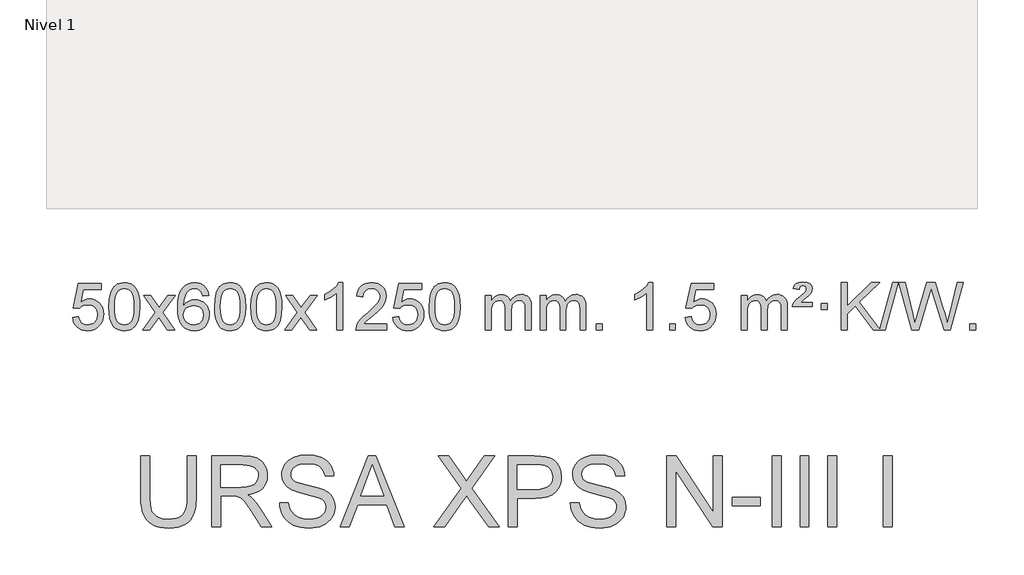
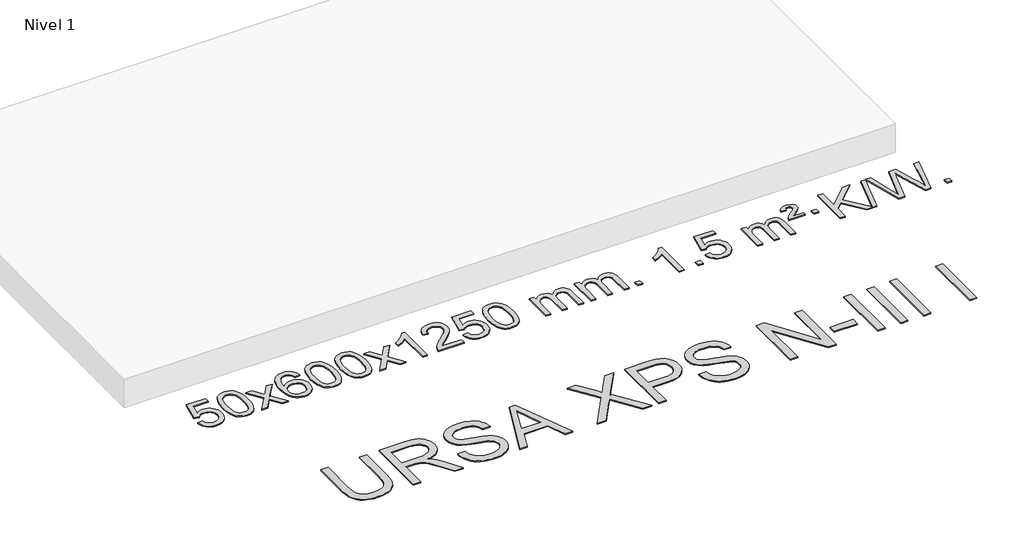
# One storey, part 2 of 3: 2 proxies.
"""IFC4 building model written with IfcOpenShell, lengths in millimetres."""

from ifc_helpers import new_model, si_unit, origin, origin_with_axes, place, context, project, spatial, polyline, outline, extrude, element, save

model = new_model("IFC4")

# Units and contexts
model_context = context("Model", 3, world=origin())
ifc_project = project(units=[si_unit("LENGTHUNIT", "METRE", prefix="MILLI")], contexts=[model_context])

# Site, building, storey
site = spatial("IfcSite", under=ifc_project)
building = spatial("IfcBuilding", under=site)
storey = spatial("IfcBuildingStorey", under=building, Name="Nivel 1", Elevation=0.0)

# Proxies
placement = place(None, origin())
element("IfcBuildingElementProxy", 1, Name="Texto de modelo 1", ObjectType="Texto de modelo 1", at=placement, inside=storey, context=model_context, shape_type="SweptSolid", body=[
    extrude(outline(polyline([(-19438.3327477, -12646.1756914), (-19388.1045926, -12639.897172), (-19378.8830173, -12670.0512329), (-19362.7943114, -12691.645906), (-19339.9120513, -12704.6321405), (-19310.3098134, -12708.9608853), (-19291.1799496, -12707.4556348), (-19274.3064288, -12702.9398833), (-19259.6892508, -12695.4136308), (-19247.3284158, -12684.8768773), (-19237.4998352, -12671.850789), (-19230.4794204, -12656.856532), (-19224.8630886, -12620.963512), (-19230.1238012, -12587.1674194), (-19236.6996918, -12573.2492173), (-19245.9059387, -12561.3175779), (-19257.7731988, -12551.7465146), (-19272.3321287, -12544.9100409), (-19309.5249984, -12539.4408619), (-19333.8910493, -12541.6236284), (-19353.6217869, -12548.1719279), (-19369.3793991, -12558.2028437), (-19381.8260732, -12570.8334588), (-19432.0542283, -12564.5549394), (-19388.1045926, -12357.3637998), (-19193.4704917, -12357.3637998), (-19193.4704917, -12407.5919548), (-19347.4904204, -12407.5919548), (-19368.9747289, -12518.250859), (-19351.2489481, -12505.5466674), (-19333.0939716, -12496.4722449), (-19314.5097995, -12491.0275913), (-19295.4964317, -12489.2127068), (-19271.0353447, -12491.4629184), (-19248.5669518, -12498.213553), (-19228.0912531, -12509.4646107), (-19209.6082486, -12525.2160914), (-19194.3074232, -12544.5053707), (-19183.3782623, -12566.3698239), (-19176.8207657, -12590.8094512), (-19174.6349336, -12617.8242523), (-19176.6031022, -12643.8457721), (-19182.5076082, -12668.0524074), (-19192.3484516, -12690.4441582), (-19206.1256323, -12711.0210244), (-19226.9968042, -12732.0945314), (-19251.3505923, -12747.1470364), (-19279.1869966, -12756.1785394), (-19310.5060171, -12759.1890403), (-19336.4263693, -12757.2545942), (-19359.8389927, -12751.4512557), (-19380.743887, -12741.7790249), (-19399.1410525, -12728.2379018), (-19414.4480092, -12711.5023367), (-19426.0822773, -12692.24678), (-19434.0438568, -12670.4712315), (-19438.3327477, -12646.1756914)])), origin_with_axes(), (0.0, 0.0, 1.0), 10.0),
    extrude(outline(polyline([(-19130.6852979, -12555.2352622), (-19126.9942152, -12490.9172267), (-19115.9209671, -12439.6222139), (-19097.5759183, -12400.5654087), (-19085.7178553, -12385.3320284), (-19072.0694333, -12372.9619963), (-19056.584667, -12363.3909331), (-19039.2175711, -12356.5544594), (-18998.8363908, -12351.0852804), (-18967.8852523, -12354.3226419), (-18940.1714753, -12364.0347266), (-18916.9949096, -12379.8413897), (-18899.6554049, -12401.3624864), (-18886.5588059, -12428.4140758), (-18876.1109572, -12460.8122168), (-18869.2683521, -12501.9536866), (-18866.9874837, -12555.2352622), (-18870.6417782, -12619.1854157), (-18881.6046617, -12670.3578012), (-18899.8393459, -12709.4513946), (-18911.6698177, -12724.7307601), (-18925.3090427, -12737.1651716), (-18940.8122031, -12746.8006142), (-18958.2344813, -12753.6830732), (-18998.8363908, -12759.1890403), (-19026.5011168, -12756.7978074), (-19051.0265832, -12749.6241085), (-19072.4127898, -12737.6679436), (-19090.6597368, -12720.9293129), (-19108.1709198, -12690.6710187), (-19120.6789076, -12652.9692456), (-19128.1837003, -12607.8239934), (-19130.6852979, -12555.2352622)]), holes=[polyline([(-19080.4571428, -12555.1371604), (-19078.9856148, -12598.8016875), (-19074.5710309, -12634.1459502), (-19067.213391, -12661.1699484), (-19056.9126951, -12679.8736822), (-19044.4537582, -12692.5993335), (-19030.6213952, -12701.6890845), (-19015.415606, -12707.1429351), (-18998.8363908, -12708.9608853), (-18982.2571755, -12707.1368037), (-18967.0513864, -12701.664559), (-18953.2190234, -12692.5441512), (-18940.7600865, -12679.7755803), (-18930.4593906, -12661.0411897), (-18923.1017507, -12634.0233229), (-18918.6871668, -12598.7219797), (-18917.2156388, -12555.1371604), (-18918.6381158, -12512.6283958), (-18922.905547, -12477.9064668), (-18930.0179322, -12450.9713734), (-18939.9752716, -12431.8231156), (-18952.225742, -12418.4751305), (-18966.2175205, -12408.9408555), (-18981.9506072, -12403.2202904), (-18999.425002, -12401.3134354), (-19015.9183781, -12402.9934299), (-19030.8666498, -12408.0334132), (-19044.2698172, -12416.4333854), (-19056.1278802, -12428.1933466), (-19066.7719326, -12449.0399929), (-19074.3748271, -12477.1461774), (-19078.9365639, -12512.5118998), (-19080.4571428, -12555.1371604)])]), origin_with_axes(), (0.0, 0.0, 1.0), 10.0),
    extrude(outline(polyline([(-18841.8734062, -12752.910521), (-18734.5499655, -12604.5805005), (-18835.5948868, -12457.8201099), (-18775.1641377, -12457.8201099), (-18726.4075106, -12528.453453), (-18703.6478779, -12561.8080872), (-18683.9294029, -12534.5357686), (-18628.4037471, -12457.8201099), (-18567.972998, -12457.8201099), (-18674.1192164, -12604.5805005), (-18571.8970727, -12752.910521), (-18632.3278217, -12752.910521), (-18693.8376913, -12663.7359253), (-18705.1194058, -12647.4510157), (-18781.4426571, -12752.910521), (-18841.8734062, -12752.910521)])), origin_with_axes(), (0.0, 0.0, 1.0), 10.0),
    extrude(outline(polyline([(-18283.085181, -12457.8201099), (-18333.313336, -12464.0986293), (-18341.4067399, -12439.2052809), (-18352.3450979, -12422.2091328), (-18375.1292562, -12406.5373598), (-18402.6713549, -12401.3134354), (-18426.0195988, -12404.3545933), (-18447.9944167, -12413.4780667), (-18466.866763, -12432.6937696), (-18482.2810186, -12459.1444851), (-18492.6920791, -12496.558084), (-18496.55484, -12548.6624372), (-18476.4071694, -12525.1547778), (-18452.2618478, -12508.5878252), (-18425.4677758, -12498.765376), (-18397.3738541, -12495.4912262), (-18373.2407953, -12497.729175), (-18350.9716718, -12504.4430214), (-18330.5664838, -12515.6327654), (-18312.0252313, -12531.2984071), (-18296.617107, -12550.5079786), (-18285.611304, -12572.3295123), (-18279.0078222, -12596.7630081), (-18276.8066616, -12623.8084661), (-18280.9514654, -12659.7750625), (-18293.3858768, -12693.117434), (-18313.0798263, -12721.3952967), (-18339.0032442, -12742.1683667), (-18369.9789082, -12754.9338719), (-18404.8295959, -12759.1890403), (-18434.7721246, -12756.3686117), (-18461.814517, -12747.9073258), (-18485.9567729, -12733.8051827), (-18507.1988924, -12714.0621823), (-18524.5169374, -12687.8444588), (-18536.8869694, -12654.3181463), (-18544.3089887, -12613.4832448), (-18546.7829951, -12565.3397544), (-18544.0361429, -12511.3653343), (-18535.7955862, -12465.3003771), (-18522.061325, -12427.1448829), (-18502.8333594, -12396.8988515), (-18481.9928444, -12376.8554141), (-18457.8291287, -12362.5386731), (-18430.3422123, -12353.9486286), (-18399.5320952, -12351.0852804), (-18376.398449, -12352.8572453), (-18355.4598322, -12358.1731401), (-18336.7162445, -12367.0329649), (-18320.1676861, -12379.4367195), (-18306.2617467, -12394.967471), (-18295.446016, -12413.2082866), (-18287.7204941, -12434.1591662), (-18283.085181, -12457.8201099)]), holes=[polyline([(-18496.55484, -12623.0236512), (-18493.6485723, -12645.2805119), (-18484.929769, -12666.5318285), (-18471.3917116, -12684.8033009), (-18454.0276814, -12698.1206291), (-18433.0706704, -12706.2508212), (-18408.7536705, -12708.9608853), (-18375.6075028, -12703.3445535), (-18361.6923663, -12696.3241387), (-18349.5491948, -12686.4955581), (-18339.6991543, -12674.2573504), (-18332.6634112, -12660.0080544), (-18327.0348167, -12625.4761978), (-18332.5898348, -12592.3300301), (-18339.5336074, -12578.7091992), (-18349.2548892, -12567.056537), (-18361.4348489, -12557.7215314), (-18375.7546556, -12551.0536702), (-18410.8138097, -12545.7193813), (-18443.9109265, -12551.0536702), (-18471.5879153, -12567.056537), (-18482.5109449, -12578.555915), (-18490.3131089, -12591.7168934), (-18494.9944072, -12606.5394721), (-18496.55484, -12623.0236512)])]), origin_with_axes(), (0.0, 0.0, 1.0), 10.0),
    extrude(outline(polyline([(-18232.8570259, -12555.2352622), (-18229.1659432, -12490.9172267), (-18218.0926952, -12439.6222139), (-18199.7476463, -12400.5654087), (-18187.8895834, -12385.3320284), (-18174.2411613, -12372.9619963), (-18158.756395, -12363.3909331), (-18141.3892992, -12356.5544594), (-18101.0081188, -12351.0852804), (-18070.0569803, -12354.3226419), (-18042.3432033, -12364.0347266), (-18019.1666376, -12379.8413897), (-18001.8271329, -12401.3624864), (-17988.7305339, -12428.4140758), (-17978.2826852, -12460.8122168), (-17971.4400801, -12501.9536866), (-17969.1592118, -12555.2352622), (-17972.8135062, -12619.1854157), (-17983.7763897, -12670.3578012), (-18002.0110739, -12709.4513946), (-18013.8415458, -12724.7307601), (-18027.4807707, -12737.1651716), (-18042.9839311, -12746.8006142), (-18060.4062093, -12753.6830732), (-18101.0081188, -12759.1890403), (-18128.6728449, -12756.7978074), (-18153.1983112, -12749.6241085), (-18174.5845179, -12737.6679436), (-18192.8314648, -12720.9293129), (-18210.3426478, -12690.6710187), (-18222.8506356, -12652.9692456), (-18230.3554283, -12607.8239934), (-18232.8570259, -12555.2352622)]), holes=[polyline([(-18182.6288708, -12555.1371604), (-18181.1573428, -12598.8016875), (-18176.7427589, -12634.1459502), (-18169.385119, -12661.1699484), (-18159.0844231, -12679.8736822), (-18146.6254862, -12692.5993335), (-18132.7931232, -12701.6890845), (-18117.5873341, -12707.1429351), (-18101.0081188, -12708.9608853), (-18084.4289036, -12707.1368037), (-18069.2231144, -12701.664559), (-18055.3907514, -12692.5441512), (-18042.9318145, -12679.7755803), (-18032.6311187, -12661.0411897), (-18025.2734788, -12634.0233229), (-18020.8588948, -12598.7219797), (-18019.3873668, -12555.1371604), (-18020.8098439, -12512.6283958), (-18025.077275, -12477.9064668), (-18032.1896603, -12450.9713734), (-18042.1469996, -12431.8231156), (-18054.39747, -12418.4751305), (-18068.3892486, -12408.9408555), (-18084.1223352, -12403.2202904), (-18101.59673, -12401.3134354), (-18118.0901061, -12402.9934299), (-18133.0383779, -12408.0334132), (-18146.4415452, -12416.4333854), (-18158.2996082, -12428.1933466), (-18168.9436606, -12449.0399929), (-18176.5465552, -12477.1461774), (-18181.1082919, -12512.5118998), (-18182.6288708, -12555.1371604)])]), origin_with_axes(), (0.0, 0.0, 1.0), 10.0),
    extrude(outline(polyline([(-17925.2095761, -12555.2352622), (-17921.5184934, -12490.9172267), (-17910.4452453, -12439.6222139), (-17892.1001965, -12400.5654087), (-17880.2421335, -12385.3320284), (-17866.5937115, -12372.9619963), (-17851.1089452, -12363.3909331), (-17833.7418493, -12356.5544594), (-17793.360669, -12351.0852804), (-17762.4095305, -12354.3226419), (-17734.6957535, -12364.0347266), (-17711.5191878, -12379.8413897), (-17694.1796831, -12401.3624864), (-17681.0830841, -12428.4140758), (-17670.6352354, -12460.8122168), (-17663.7926303, -12501.9536866), (-17661.5117619, -12555.2352622), (-17665.1660564, -12619.1854157), (-17676.1289399, -12670.3578012), (-17694.3636241, -12709.4513946), (-17706.1940959, -12724.7307601), (-17719.8333209, -12737.1651716), (-17735.3364813, -12746.8006142), (-17752.7587595, -12753.6830732), (-17793.360669, -12759.1890403), (-17821.025395, -12756.7978074), (-17845.5508614, -12749.6241085), (-17866.937068, -12737.6679436), (-17885.184015, -12720.9293129), (-17902.695198, -12690.6710187), (-17915.2031858, -12652.9692456), (-17922.7079785, -12607.8239934), (-17925.2095761, -12555.2352622)]), holes=[polyline([(-17874.981421, -12555.1371604), (-17873.509893, -12598.8016875), (-17869.0953091, -12634.1459502), (-17861.7376692, -12661.1699484), (-17851.4369733, -12679.8736822), (-17838.9780364, -12692.5993335), (-17825.1456734, -12701.6890845), (-17809.9398842, -12707.1429351), (-17793.360669, -12708.9608853), (-17776.7814537, -12707.1368037), (-17761.5756646, -12701.664559), (-17747.7433016, -12692.5441512), (-17735.2843647, -12679.7755803), (-17724.9836688, -12661.0411897), (-17717.6260289, -12634.0233229), (-17713.211445, -12598.7219797), (-17711.739917, -12555.1371604), (-17713.162394, -12512.6283958), (-17717.4298252, -12477.9064668), (-17724.5422104, -12450.9713734), (-17734.4995498, -12431.8231156), (-17746.7500202, -12418.4751305), (-17760.7417988, -12408.9408555), (-17776.4748854, -12403.2202904), (-17793.9492802, -12401.3134354), (-17810.4426563, -12402.9934299), (-17825.390928, -12408.0334132), (-17838.7940954, -12416.4333854), (-17850.6521584, -12428.1933466), (-17861.2962108, -12449.0399929), (-17868.8991053, -12477.1461774), (-17873.4608421, -12512.5118998), (-17874.981421, -12555.1371604)])]), origin_with_axes(), (0.0, 0.0, 1.0), 10.0),
    extrude(outline(polyline([(-17636.3976844, -12752.910521), (-17529.0742437, -12604.5805005), (-17630.119165, -12457.8201099), (-17569.6884159, -12457.8201099), (-17520.9317888, -12528.453453), (-17498.1721561, -12561.8080872), (-17478.4536811, -12534.5357686), (-17422.9280253, -12457.8201099), (-17362.4972762, -12457.8201099), (-17468.6434946, -12604.5805005), (-17366.4213509, -12752.910521), (-17426.8520999, -12752.910521), (-17488.3619695, -12663.7359253), (-17499.643684, -12647.4510157), (-17575.9669353, -12752.910521), (-17636.3976844, -12752.910521)])), origin_with_axes(), (0.0, 0.0, 1.0), 10.0),
    extrude(outline(polyline([(-17146.6731724, -12752.910521), (-17196.9013275, -12752.910521), (-17196.9013275, -12439.7693667), (-17217.8706012, -12456.7287266), (-17244.4807322, -12473.6635612), (-17297.3576376, -12499.0228934), (-17297.3576376, -12451.5415905), (-17257.908425, -12430.0818075), (-17223.7321877, -12404.550797), (-17196.7909629, -12377.4011058), (-17179.046788, -12351.0852804), (-17146.6731724, -12351.0852804), (-17146.6731724, -12752.910521)])), origin_with_axes(), (0.0, 0.0, 1.0), 10.0),
    extrude(outline(polyline([(-16769.9620093, -12702.6823659), (-16769.9620093, -12752.910521), (-17033.6598235, -12752.910521), (-17032.5561775, -12735.2276597), (-17028.2642209, -12718.2805625), (-17015.8788604, -12691.2167104), (-16997.7545408, -12664.9621987), (-16971.5368172, -12637.4814136), (-16934.871245, -12606.7387415), (-16880.6699644, -12558.5952511), (-16848.1491961, -12523.0578504), (-16831.8888119, -12494.215902), (-16826.4686838, -12466.1587685), (-16831.5822435, -12441.0079027), (-16846.9229227, -12420.0999427), (-16870.5041586, -12406.0100622), (-16900.3393884, -12401.3134354), (-16931.6706717, -12405.8996976), (-16956.012197, -12419.6584843), (-16971.7207582, -12441.5106748), (-16977.153149, -12470.3771487), (-17027.3813041, -12464.0986293), (-17023.0617563, -12438.16908), (-17015.2044101, -12415.5136805), (-17003.8092653, -12396.1324307), (-16988.8763219, -12380.0253307), (-16970.7489366, -12367.3640587), (-16949.7704659, -12358.3202929), (-16925.9409096, -12352.8940335), (-16899.2602679, -12351.0852804), (-16872.3405029, -12353.0963686), (-16848.382188, -12359.1296333), (-16827.3853231, -12369.1850745), (-16809.3499083, -12383.2626922), (-16794.8645547, -12400.3201541), (-16784.5178736, -12419.3151277), (-16778.309865, -12440.2476133), (-16776.2405287, -12463.1176106), (-16778.4723462, -12487.1403049), (-16785.1677985, -12510.7460663), (-16797.0503869, -12534.7564978), (-16814.8436128, -12559.9932027), (-16843.2073146, -12590.1227381), (-16886.801331, -12628.8116613), (-16944.5833297, -12677.12683), (-16967.2448606, -12702.6823659), (-16769.9620093, -12702.6823659)])), origin_with_axes(), (0.0, 0.0, 1.0), 10.0),
    extrude(outline(polyline([(-16719.7338543, -12646.1756914), (-16669.5056992, -12639.897172), (-16660.2841238, -12670.0512329), (-16644.1954179, -12691.645906), (-16621.3131578, -12704.6321405), (-16591.7109199, -12708.9608853), (-16572.5810562, -12707.4556348), (-16555.7075354, -12702.9398833), (-16541.0903574, -12695.4136308), (-16528.7295224, -12684.8768773), (-16518.9009417, -12671.850789), (-16511.880527, -12656.856532), (-16506.2641952, -12620.963512), (-16511.5249077, -12587.1674194), (-16518.1007984, -12573.2492173), (-16527.3070453, -12561.3175779), (-16539.1743054, -12551.7465146), (-16553.7332353, -12544.9100409), (-16590.926105, -12539.4408619), (-16615.2921558, -12541.6236284), (-16635.0228935, -12548.1719279), (-16650.7805056, -12558.2028437), (-16663.2271798, -12570.8334588), (-16713.4553349, -12564.5549394), (-16669.5056992, -12357.3637998), (-16474.8715983, -12357.3637998), (-16474.8715983, -12407.5919548), (-16628.8915269, -12407.5919548), (-16650.3758354, -12518.250859), (-16632.6500546, -12505.5466674), (-16614.4950782, -12496.4722449), (-16595.9109061, -12491.0275913), (-16576.8975383, -12489.2127068), (-16552.4364513, -12491.4629184), (-16529.9680584, -12498.213553), (-16509.4923597, -12509.4646107), (-16491.0093551, -12525.2160914), (-16475.7085298, -12544.5053707), (-16464.7793689, -12566.3698239), (-16458.2218723, -12590.8094512), (-16456.0360401, -12617.8242523), (-16458.0042088, -12643.8457721), (-16463.9087148, -12668.0524074), (-16473.7495582, -12690.4441582), (-16487.5267389, -12711.0210244), (-16508.3979108, -12732.0945314), (-16532.7516989, -12747.1470364), (-16560.5881032, -12756.1785394), (-16591.9071237, -12759.1890403), (-16617.8274759, -12757.2545942), (-16641.2400992, -12751.4512557), (-16662.1449936, -12741.7790249), (-16680.5421591, -12728.2379018), (-16695.8491157, -12711.5023367), (-16707.4833838, -12692.24678), (-16715.4449633, -12670.4712315), (-16719.7338543, -12646.1756914)])), origin_with_axes(), (0.0, 0.0, 1.0), 10.0),
    extrude(outline(polyline([(-16412.0864044, -12555.2352622), (-16408.3953218, -12490.9172267), (-16397.3220737, -12439.6222139), (-16378.9770249, -12400.5654087), (-16367.1189619, -12385.3320284), (-16353.4705399, -12372.9619963), (-16337.9857736, -12363.3909331), (-16320.6186777, -12356.5544594), (-16280.2374974, -12351.0852804), (-16249.2863588, -12354.3226419), (-16221.5725819, -12364.0347266), (-16198.3960162, -12379.8413897), (-16181.0565115, -12401.3624864), (-16167.9599124, -12428.4140758), (-16157.5120638, -12460.8122168), (-16150.6694587, -12501.9536866), (-16148.3885903, -12555.2352622), (-16152.0428848, -12619.1854157), (-16163.0057682, -12670.3578012), (-16181.2404525, -12709.4513946), (-16193.0709243, -12724.7307601), (-16206.7101493, -12737.1651716), (-16222.2133097, -12746.8006142), (-16239.6355878, -12753.6830732), (-16280.2374974, -12759.1890403), (-16307.9022234, -12756.7978074), (-16332.4276897, -12749.6241085), (-16353.8138964, -12737.6679436), (-16372.0608434, -12720.9293129), (-16389.5720263, -12690.6710187), (-16402.0800142, -12652.9692456), (-16409.5848069, -12607.8239934), (-16412.0864044, -12555.2352622)]), holes=[polyline([(-16361.8582494, -12555.1371604), (-16360.3867214, -12598.8016875), (-16355.9721374, -12634.1459502), (-16348.6144975, -12661.1699484), (-16338.3138017, -12679.8736822), (-16325.8548648, -12692.5993335), (-16312.0225017, -12701.6890845), (-16296.8167126, -12707.1429351), (-16280.2374974, -12708.9608853), (-16263.6582821, -12707.1368037), (-16248.452493, -12701.664559), (-16234.62013, -12692.5441512), (-16222.1611931, -12679.7755803), (-16211.8604972, -12661.0411897), (-16204.5028573, -12634.0233229), (-16200.0882733, -12598.7219797), (-16198.6167454, -12555.1371604), (-16200.0392224, -12512.6283958), (-16204.3066536, -12477.9064668), (-16211.4190388, -12450.9713734), (-16221.3763781, -12431.8231156), (-16233.6268486, -12418.4751305), (-16247.6186271, -12408.9408555), (-16263.3517138, -12403.2202904), (-16280.8261086, -12401.3134354), (-16297.3194847, -12402.9934299), (-16312.2677564, -12408.0334132), (-16325.6709238, -12416.4333854), (-16337.5289867, -12428.1933466), (-16348.1730391, -12449.0399929), (-16355.7759337, -12477.1461774), (-16360.3376704, -12512.5118998), (-16361.8582494, -12555.1371604)])]), origin_with_axes(), (0.0, 0.0, 1.0), 10.0),
    extrude(outline(polyline([(-15934.9189312, -12752.910521), (-15934.9189312, -12457.8201099), (-15884.6907762, -12457.8201099), (-15884.6907762, -12506.3805333), (-15869.5830889, -12484.0746216), (-15850.1589195, -12466.6002269), (-15827.0804557, -12455.3062496), (-15801.009885, -12451.5415905), (-15773.0753788, -12455.379826), (-15750.683628, -12466.8945324), (-15733.95726, -12485.3254204), (-15723.018902, -12509.9122004), (-15704.7106414, -12484.3750586), (-15683.8272068, -12466.134243), (-15660.3685982, -12455.1897536), (-15634.3348157, -12451.5415905), (-15614.226999, -12453.0591037), (-15596.5778603, -12457.6116434), (-15581.3873995, -12465.1992096), (-15568.6556168, -12475.8218022), (-15558.5909786, -12489.6020486), (-15551.4019513, -12506.6625761), (-15547.0885349, -12527.0033848), (-15545.6507294, -12550.6244745), (-15545.6507294, -12752.910521), (-15595.8788845, -12752.910521), (-15595.8788845, -12572.2068849), (-15597.0438441, -12547.1541211), (-15600.5387231, -12530.2683375), (-15607.0870226, -12518.7045801), (-15617.4122439, -12509.6178948), (-15630.6927839, -12503.7317829), (-15646.1070395, -12501.7697456), (-15673.3180445, -12506.7974662), (-15695.5013288, -12521.880628), (-15704.1067018, -12533.4505167), (-15710.2533968, -12548.0493006), (-15715.1707528, -12586.3335535), (-15715.1707528, -12752.910521), (-15765.3989078, -12752.910521), (-15765.3989078, -12566.6150786), (-15768.3051756, -12538.2145886), (-15777.0239789, -12517.9565534), (-15792.3646581, -12505.8164475), (-15815.1365536, -12501.7697456), (-15834.4871465, -12504.4675469), (-15852.3171606, -12512.5609508), (-15867.0324404, -12525.8537535), (-15877.0388307, -12544.1497514), (-15882.7777898, -12569.5336091), (-15884.6907762, -12604.0899912), (-15884.6907762, -12752.910521), (-15934.9189312, -12752.910521)])), origin_with_axes(), (0.0, 0.0, 1.0), 10.0),
    extrude(outline(polyline([(-15470.3084968, -12752.910521), (-15470.3084968, -12457.8201099), (-15420.0803417, -12457.8201099), (-15420.0803417, -12506.3805333), (-15404.9726544, -12484.0746216), (-15385.5484851, -12466.6002269), (-15362.4700213, -12455.3062496), (-15336.3994505, -12451.5415905), (-15308.4649444, -12455.379826), (-15286.0731936, -12466.8945324), (-15269.3468256, -12485.3254204), (-15258.4084676, -12509.9122004), (-15240.1002069, -12484.3750586), (-15219.2167723, -12466.134243), (-15195.7581638, -12455.1897536), (-15169.7243813, -12451.5415905), (-15149.6165645, -12453.0591037), (-15131.9674258, -12457.6116434), (-15116.7769651, -12465.1992096), (-15104.0451824, -12475.8218022), (-15093.9805441, -12489.6020486), (-15086.7915168, -12506.6625761), (-15082.4781004, -12527.0033848), (-15081.040295, -12550.6244745), (-15081.040295, -12752.910521), (-15131.26845, -12752.910521), (-15131.26845, -12572.2068849), (-15132.4334097, -12547.1541211), (-15135.9282886, -12530.2683375), (-15142.4765881, -12518.7045801), (-15152.8018095, -12509.6178948), (-15166.0823495, -12503.7317829), (-15181.4966051, -12501.7697456), (-15208.70761, -12506.7974662), (-15230.8908943, -12521.880628), (-15239.4962673, -12533.4505167), (-15245.6429623, -12548.0493006), (-15250.5603183, -12586.3335535), (-15250.5603183, -12752.910521), (-15300.7884734, -12752.910521), (-15300.7884734, -12566.6150786), (-15303.6947412, -12538.2145886), (-15312.4135445, -12517.9565534), (-15327.7542237, -12505.8164475), (-15350.5261192, -12501.7697456), (-15369.8767121, -12504.4675469), (-15387.7067261, -12512.5609508), (-15402.4220059, -12525.8537535), (-15412.4283962, -12544.1497514), (-15418.1673553, -12569.5336091), (-15420.0803417, -12604.0899912), (-15420.0803417, -12752.910521), (-15470.3084968, -12752.910521)])), origin_with_axes(), (0.0, 0.0, 1.0), 10.0),
    extrude(outline(polyline([(-14993.1410236, -12752.910521), (-14993.1410236, -12702.6823659), (-14942.9128685, -12702.6823659), (-14942.9128685, -12752.910521), (-14993.1410236, -12752.910521)])), origin_with_axes(), (0.0, 0.0, 1.0), 10.0),
    extrude(outline(polyline([(-14515.9735504, -12752.910521), (-14566.2017054, -12752.910521), (-14566.2017054, -12439.7693667), (-14587.1709792, -12456.7287266), (-14613.7811101, -12473.6635612), (-14666.6580156, -12499.0228934), (-14666.6580156, -12451.5415905), (-14627.208803, -12430.0818075), (-14593.0325656, -12404.550797), (-14566.0913408, -12377.4011058), (-14548.3471659, -12351.0852804), (-14515.9735504, -12351.0852804), (-14515.9735504, -12752.910521)])), origin_with_axes(), (0.0, 0.0, 1.0), 10.0),
    extrude(outline(polyline([(-14371.5676045, -12752.910521), (-14371.5676045, -12702.6823659), (-14321.3394494, -12702.6823659), (-14321.3394494, -12752.910521), (-14371.5676045, -12752.910521)])), origin_with_axes(), (0.0, 0.0, 1.0), 10.0),
    extrude(outline(polyline([(-14239.7186975, -12646.1756914), (-14189.4905424, -12639.897172), (-14180.268967, -12670.0512329), (-14164.1802611, -12691.645906), (-14141.298001, -12704.6321405), (-14111.6957631, -12708.9608853), (-14092.5658994, -12707.4556348), (-14075.6923785, -12702.9398833), (-14061.0752006, -12695.4136308), (-14048.7143656, -12684.8768773), (-14038.8857849, -12671.850789), (-14031.8653702, -12656.856532), (-14026.2490384, -12620.963512), (-14031.5097509, -12587.1674194), (-14038.0856416, -12573.2492173), (-14047.2918885, -12561.3175779), (-14059.1591485, -12551.7465146), (-14073.7180785, -12544.9100409), (-14110.9109482, -12539.4408619), (-14135.276999, -12541.6236284), (-14155.0077367, -12548.1719279), (-14170.7653488, -12558.2028437), (-14183.212023, -12570.8334588), (-14233.4401781, -12564.5549394), (-14189.4905424, -12357.3637998), (-13994.8564415, -12357.3637998), (-13994.8564415, -12407.5919548), (-14148.8763701, -12407.5919548), (-14170.3606786, -12518.250859), (-14152.6348978, -12505.5466674), (-14134.4799214, -12496.4722449), (-14115.8957492, -12491.0275913), (-14096.8823815, -12489.2127068), (-14072.4212945, -12491.4629184), (-14049.9529016, -12498.213553), (-14029.4772029, -12509.4646107), (-14010.9941983, -12525.2160914), (-13995.693373, -12544.5053707), (-13984.7642121, -12566.3698239), (-13978.2067155, -12590.8094512), (-13976.0208833, -12617.8242523), (-13977.989052, -12643.8457721), (-13983.893558, -12668.0524074), (-13993.7344014, -12690.4441582), (-14007.5115821, -12711.0210244), (-14028.382754, -12732.0945314), (-14052.736542, -12747.1470364), (-14080.5729463, -12756.1785394), (-14111.8919669, -12759.1890403), (-14137.8123191, -12757.2545942), (-14161.2249424, -12751.4512557), (-14182.1298368, -12741.7790249), (-14200.5270022, -12728.2379018), (-14215.8339589, -12711.5023367), (-14227.468227, -12692.24678), (-14235.4298065, -12670.4712315), (-14239.7186975, -12646.1756914)])), origin_with_axes(), (0.0, 0.0, 1.0), 10.0),
    extrude(outline(polyline([(-13762.5512242, -12752.910521), (-13762.5512242, -12457.8201099), (-13712.3230692, -12457.8201099), (-13712.3230692, -12506.3805333), (-13697.2153819, -12484.0746216), (-13677.7912126, -12466.6002269), (-13654.7127487, -12455.3062496), (-13628.642178, -12451.5415905), (-13600.7076718, -12455.379826), (-13578.3159211, -12466.8945324), (-13561.589553, -12485.3254204), (-13550.651195, -12509.9122004), (-13532.3429344, -12484.3750586), (-13511.4594998, -12466.134243), (-13488.0008912, -12455.1897536), (-13461.9671087, -12451.5415905), (-13441.859292, -12453.0591037), (-13424.2101533, -12457.6116434), (-13409.0196926, -12465.1992096), (-13396.2879098, -12475.8218022), (-13386.2232716, -12489.6020486), (-13379.0342443, -12506.6625761), (-13374.7208279, -12527.0033848), (-13373.2830224, -12550.6244745), (-13373.2830224, -12752.910521), (-13423.5111775, -12752.910521), (-13423.5111775, -12572.2068849), (-13424.6761371, -12547.1541211), (-13428.1710161, -12530.2683375), (-13434.7193156, -12518.7045801), (-13445.0445369, -12509.6178948), (-13458.325077, -12503.7317829), (-13473.7393326, -12501.7697456), (-13500.9503375, -12506.7974662), (-13523.1336218, -12521.880628), (-13531.7389948, -12533.4505167), (-13537.8856898, -12548.0493006), (-13542.8030458, -12586.3335535), (-13542.8030458, -12752.910521), (-13593.0312009, -12752.910521), (-13593.0312009, -12566.6150786), (-13595.9374686, -12538.2145886), (-13604.6562719, -12517.9565534), (-13619.9969511, -12505.8164475), (-13642.7688466, -12501.7697456), (-13662.1194396, -12504.4675469), (-13679.9494536, -12512.5609508), (-13694.6647334, -12525.8537535), (-13704.6711237, -12544.1497514), (-13710.4100828, -12569.5336091), (-13712.3230692, -12604.0899912), (-13712.3230692, -12752.910521), (-13762.5512242, -12752.910521)])), origin_with_axes(), (0.0, 0.0, 1.0), 10.0),
    extrude(outline(polyline([(-13329.3333867, -12551.9979007), (-13325.507414, -12536.1789749), (-13317.1687554, -12520.3109981), (-13295.6599214, -12495.1723951), (-13263.7032388, -12467.4340927), (-13219.5573994, -12430.057282), (-13212.4204887, -12418.5303128), (-13210.0415184, -12406.709038), (-13211.9299793, -12394.6179831), (-13217.5953621, -12384.8323221), (-13226.9640902, -12378.3575989), (-13239.9625874, -12376.1993579), (-13252.3969988, -12377.8180387), (-13261.2506921, -12382.674081), (-13267.6763643, -12392.140911), (-13272.8267123, -12407.5919548), (-13323.0548673, -12401.3134354), (-13312.2146112, -12376.101256), (-13295.586345, -12358.5410221), (-13271.8211681, -12348.2403263), (-13239.5701799, -12344.806761), (-13203.7875245, -12348.9393021), (-13179.041329, -12361.3369253), (-13164.6203547, -12379.6697114), (-13159.8133633, -12401.607741), (-13163.9091162, -12424.5145266), (-13176.1963749, -12446.1459879), (-13196.7241902, -12465.9625647), (-13233.1935586, -12494.0196982), (-13258.7981455, -12520.6053037), (-13159.8133633, -12520.6053037), (-13159.8133633, -12551.9979007), (-13329.3333867, -12551.9979007)])), origin_with_axes(), (0.0, 0.0, 1.0), 10.0),
    extrude(outline(polyline([(-13084.4711307, -12577.1119782), (-13084.4711307, -12526.8838231), (-13034.2429757, -12526.8838231), (-13034.2429757, -12577.1119782), (-13084.4711307, -12577.1119782)])), origin_with_axes(), (0.0, 0.0, 1.0), 10.0),
    extrude(outline(polyline([(-12643.6013477, -12752.910521), (-12797.0326652, -12550.2320671), (-12864.7229523, -12614.7830945), (-12864.7229523, -12752.910521), (-12914.9511074, -12752.910521), (-12914.9511074, -12351.0852804), (-12864.7229523, -12351.0852804), (-12864.7229523, -12547.7795205), (-12658.709035, -12351.0852804), (-12588.4680994, -12351.0852804), (-12761.421688, -12516.2888217), (-12586.7680782, -12746.8660012), (-12475.4547504, -12351.0852804), (-12430.1316886, -12351.0852804), (-12543.1450376, -12752.910521), (-12582.18958, -12752.910521), (-12588.4680994, -12752.910521), (-12643.6013477, -12752.910521)])), origin_with_axes(), (0.0, 0.0, 1.0), 10.0),
    extrude(outline(polyline([(-12315.6468117, -12752.910521), (-12425.2265954, -12351.0852804), (-12373.4288105, -12351.0852804), (-12309.8588017, -12615.175502), (-12290.2384286, -12696.6981521), (-12269.2446294, -12624.593281), (-12189.5859147, -12351.0852804), (-12114.9303952, -12351.0852804), (-12057.0502946, -12549.3491503), (-12032.2550481, -12622.9255493), (-12013.9835757, -12696.6981521), (-11994.9518138, -12617.5299467), (-11930.7931939, -12351.0852804), (-11878.9954089, -12351.0852804), (-11988.6732944, -12752.910521), (-12042.3350148, -12752.910521), (-12138.6710466, -12442.9086264), (-12152.1110022, -12399.6457037), (-12167.2186894, -12451.7377942), (-12255.0198589, -12752.910521), (-12315.6468117, -12752.910521)])), origin_with_axes(), (0.0, 0.0, 1.0), 10.0),
    extrude(outline(polyline([(-11822.4887345, -12752.910521), (-11822.4887345, -12702.6823659), (-11772.2605794, -12702.6823659), (-11772.2605794, -12752.910521), (-11822.4887345, -12752.910521)])), origin_with_axes(), (0.0, 0.0, 1.0), 10.0),
])
element("IfcBuildingElementProxy", 2, Name="Texto de modelo 3", ObjectType="Texto de modelo 3", at=placement, inside=storey, context=model_context, shape_type="SweptSolid", body=[
    extrude(outline(polyline([(-18463.050328, -13823.3522814), (-18387.7080954, -13823.3522814), (-18387.7080954, -14171.0743432), (-18392.8216552, -14252.5050228), (-18399.2136048, -14286.1984151), (-18408.1623344, -14315.2105089), (-18420.4403959, -14340.6403518), (-18436.8203418, -14363.5869913), (-18457.3021719, -14384.0504273), (-18481.8858862, -14402.0306598), (-18510.5990759, -14416.6769617), (-18543.4693322, -14427.1386059), (-18580.496655, -14433.4155925), (-18621.6810444, -14435.5079213), (-18661.8491597, -14433.6869055), (-18698.1821053, -14428.2238578), (-18730.679881, -14419.1187784), (-18759.342487, -14406.3716673), (-18784.1745216, -14390.1710639), (-18805.1805836, -14370.7055079), (-18822.3606727, -14347.9749991), (-18835.7147892, -14321.9795376), (-18845.7257779, -14291.8270096), (-18852.8764842, -14256.6253012), (-18857.166908, -14216.3744124), (-18858.5970493, -14171.0743432), (-18858.5970493, -13823.3522814), (-18783.2548166, -13823.3522814), (-18783.2548166, -14168.4255928), (-18779.5392085, -14236.134274), (-18768.392384, -14283.2783517), (-18759.6275955, -14300.6561775), (-18748.1956625, -14315.9278788), (-18734.096585, -14329.0934557), (-18717.3303631, -14340.1529082), (-18677.0840728, -14355.1624936), (-18628.7443787, -14360.1656887), (-18587.2196985, -14357.6916823), (-18552.1145591, -14350.269663), (-18523.4289605, -14337.899631), (-18501.1629027, -14320.581586), (-18484.4886513, -14296.227798), (-18472.5784717, -14262.7505364), (-18465.432364, -14220.1498014), (-18463.050328, -14168.4255928), (-18463.050328, -13823.3522814)])), origin_with_axes(), (0.0, 0.0, 1.0), 10.0),
    extrude(outline(polyline([(-18255.8591884, -14426.0901423), (-18255.8591884, -13823.3522814), (-17996.1344998, -13823.3522814), (-17926.3288912, -13827.4173774), (-17875.5427817, -13839.6126655), (-17855.9438684, -13849.3063561), (-17838.4234884, -13862.1270436), (-17822.9816417, -13878.0747281), (-17809.6183282, -13897.1494096), (-17798.8347872, -13918.3256169), (-17791.1322579, -13940.5778791), (-17786.5107404, -13963.9061961), (-17784.9702345, -13988.310568), (-17787.5224159, -14019.2678379), (-17795.1789599, -14047.686722), (-17807.9398666, -14073.5672204), (-17825.805136, -14096.909333), (-17849.0046943, -14116.9680988), (-17877.7684678, -14132.9985567), (-17912.0964565, -14145.0007068), (-17951.9886603, -14152.974549), (-17927.1566257, -14169.198145), (-17909.1671961, -14185.2010118), (-17878.3018967, -14221.8052703), (-17848.0987849, -14262.7505364), (-17747.5934238, -14426.0901423), (-17835.1493387, -14426.0901423), (-17913.58178, -14301.1574167), (-17970.2356073, -14218.4575442), (-17991.2968515, -14194.3428794), (-18010.0404392, -14179.3884763), (-18045.8721455, -14165.0410785), (-18089.5765265, -14162.3923281), (-18180.5169557, -14162.3923281), (-18180.5169557, -14426.0901423), (-18255.8591884, -14426.0901423)]), holes=[polyline([(-18180.5169557, -14087.0500955), (-18011.8798492, -14087.0500955), (-17963.4481845, -14084.382951), (-17925.8690387, -14076.3815176), (-17897.5789133, -14062.5123664), (-17877.0143097, -14042.2420685), (-17864.4879278, -14017.7227335), (-17860.3124671, -13991.1064712), (-17862.3036284, -13971.8386517), (-17868.2771123, -13954.3550598), (-17878.2329188, -13938.6556957), (-17892.1710479, -13924.7405592), (-17910.4133964, -13913.3454144), (-17933.2818609, -13905.2060253), (-17960.7764415, -13900.3223918), (-17992.8971382, -13898.694514), (-18180.5169557, -13898.694514), (-18180.5169557, -14087.0500955)])]), origin_with_axes(), (0.0, 0.0, 1.0), 10.0),
    extrude(outline(polyline([(-17681.3746647, -14218.8990026), (-17606.0324321, -14218.8990026), (-17597.3872052, -14260.7087913), (-17581.7522204, -14294.3148116), (-17557.3616441, -14320.9862562), (-17522.4496428, -14341.9923182), (-17479.7753313, -14355.6223461), (-17432.0978248, -14360.1656887), (-17390.1224891, -14356.7259921), (-17353.3710778, -14346.4069021), (-17323.5910303, -14330.0729415), (-17302.5297861, -14308.588633), (-17290.0034041, -14283.9221452), (-17285.8279435, -14258.0416469), (-17288.9549404, -14232.8233361), (-17298.3359313, -14211.0263279), (-17317.3922187, -14192.429893), (-17349.545105, -14176.8133023), (-17459.247516, -14148.0449303), (-17531.2604166, -14129.007037), (-17577.3376365, -14110.8888488), (-17614.8432059, -14085.5417793), (-17641.42268, -14054.8236327), (-17657.2599999, -14019.3965966), (-17662.5391065, -13979.9228585), (-17660.9066302, -13957.4866553), (-17656.0092011, -13935.7954132), (-17647.8468194, -13914.8491321), (-17636.4194849, -13894.647812), (-17621.8559564, -13876.014589), (-17604.2849926, -13859.7725989), (-17583.7065935, -13845.9218418), (-17560.1207591, -13834.4623176), (-17507.1089636, -13819.0664561), (-17448.4317853, -13813.9345023), (-17384.8617766, -13819.3055794), (-17329.2380189, -13835.4188108), (-17304.9026249, -13847.4209609), (-17283.5470751, -13861.9431027), (-17265.1713694, -13878.9852361), (-17249.7755079, -13898.5473612), (-17237.4790523, -13920.0592608), (-17228.401564, -13942.950718), (-17222.5430433, -13967.2217326), (-17219.9034899, -13992.8723047), (-17295.2457225, -13992.8723047), (-17300.2857059, -13968.8312163), (-17309.0780856, -13947.9171249), (-17321.6228616, -13930.1300305), (-17337.920034, -13915.4699329), (-17358.2731054, -13904.0104088), (-17382.9855784, -13895.8250344), (-17412.0574531, -13890.9138098), (-17445.4887294, -13889.2767349), (-17479.9868635, -13890.8954157), (-17509.4634083, -13895.751458), (-17533.918364, -13903.8448619), (-17553.3517304, -13915.1756274), (-17568.1589807, -13928.7964582), (-17578.735588, -13943.7600584), (-17585.0815524, -13960.0664278), (-17587.1968739, -13977.7155665), (-17585.6977548, -13992.8998959), (-17581.2003974, -14006.6678796), (-17573.7048017, -14019.0195175), (-17563.2109678, -14029.9548098), (-17546.6930663, -14040.310688), (-17520.6838092, -14050.7769308), (-17440.1912286, -14072.0405101), (-17357.1234741, -14092.2372316), (-17306.8707936, -14109.8587792), (-17263.9205707, -14137.1924114), (-17247.3152971, -14153.2596576), (-17233.9565822, -14170.9271904), (-17223.688076, -14190.1030394), (-17216.3534287, -14210.6952341), (-17210.4857109, -14256.1286605), (-17212.1733695, -14279.6961008), (-17217.2363455, -14302.5737624), (-17225.6746387, -14324.7616452), (-17237.4882493, -14346.2597493), (-17252.4702436, -14366.2357416), (-17270.4136879, -14383.8572892), (-17291.3185823, -14399.124392), (-17315.1849267, -14412.03705), (-17341.3183439, -14422.3055562), (-17369.0244567, -14429.6402035), (-17429.1547688, -14435.5079213), (-17467.6950063, -14433.9260288), (-17502.9702911, -14429.180351), (-17534.9806232, -14421.2708881), (-17563.7260026, -14410.1976401), (-17589.3811733, -14395.9422127), (-17612.1208791, -14378.4862121), (-17631.9451201, -14357.829638), (-17648.8538963, -14333.9724907), (-17662.4747272, -14307.6873221), (-17672.4351322, -14279.7466846), (-17678.7351114, -14250.1505781), (-17681.3746647, -14218.8990026)])), origin_with_axes(), (0.0, 0.0, 1.0), 10.0),
    extrude(outline(polyline([(-17167.6642466, -14426.0901423), (-16927.0694218, -13823.3522814), (-16862.9108018, -13823.3522814), (-16622.315977, -14426.0901423), (-16701.9256407, -14426.0901423), (-16770.940303, -14237.7345607), (-17019.1870734, -14237.7345607), (-17088.0545829, -14426.0901423), (-17167.6642466, -14426.0901423)]), holes=[polyline([(-16991.5223473, -14162.3923281), (-16798.4578763, -14162.3923281), (-16852.7572588, -14014.2094605), (-16894.9901118, -13898.694514), (-16932.5140753, -14001.2600142), (-16991.5223473, -14162.3923281)])]), origin_with_axes(), (0.0, 0.0, 1.0), 10.0),
    extrude(outline(polyline([(-16372.3033731, -14426.0901423), (-16139.9491049, -14097.645097), (-16334.6322567, -13823.3522814), (-16244.2804387, -13823.3522814), (-16134.6516042, -13977.7155665), (-16108.4951943, -14016.8214226), (-16097.7162519, -14037.9010609), (-16054.4533292, -13976.6854969), (-15946.001717, -13823.3522814), (-15854.3255238, -13823.3522814), (-16049.0086757, -14098.5280137), (-15816.6544075, -14426.0901423), (-15907.0062256, -14426.0901423), (-16061.8109691, -14207.7153899), (-16094.0374319, -14162.3923281), (-16129.5012562, -14212.1299739), (-16280.6271799, -14426.0901423), (-16372.3033731, -14426.0901423)])), origin_with_axes(), (0.0, 0.0, 1.0), 10.0),
    extrude(outline(polyline([(-15741.3121749, -14426.0901423), (-15741.3121749, -13823.3522814), (-15517.9342275, -13823.3522814), (-15465.9157133, -13824.7870211), (-15427.876715, -13829.0912405), (-15387.7223953, -13839.8150006), (-15354.668198, -13857.2710013), (-15328.0519356, -13882.2501888), (-15307.2114206, -13915.5435093), (-15293.7469396, -13954.8149123), (-15289.2587792, -13997.7283471), (-15292.2892072, -14034.7280787), (-15301.380491, -14068.7663603), (-15316.5326307, -14099.8431919), (-15337.7456262, -14127.9585734), (-15366.8680847, -14151.2638978), (-15405.748613, -14167.910558), (-15454.3872113, -14177.8985542), (-15512.7838795, -14181.2278863), (-15665.9699423, -14181.2278863), (-15665.9699423, -14426.0901423), (-15741.3121749, -14426.0901423)]), holes=[polyline([(-15665.9699423, -14105.8856537), (-15508.3692956, -14105.8856537), (-15472.1329191, -14104.1566083), (-15441.5619253, -14098.9694721), (-15416.6563142, -14090.3242453), (-15397.4160858, -14078.2209276), (-15383.059491, -14062.981416), (-15372.8047804, -14044.9276071), (-15366.651954, -14024.0595009), (-15364.6010119, -14000.3770974), (-15369.4386601, -13966.5319539), (-15383.9516048, -13937.9843111), (-15406.3372242, -13916.5000025), (-15434.7928965, -13903.8448619), (-15463.8555742, -13899.982101), (-15510.1351292, -13898.694514), (-15665.9699423, -13898.694514), (-15665.9699423, -14105.8856537)])]), origin_with_axes(), (0.0, 0.0, 1.0), 10.0),
    extrude(outline(polyline([(-15213.9165466, -14218.8990026), (-15138.574314, -14218.8990026), (-15129.9290871, -14260.7087913), (-15114.2941023, -14294.3148116), (-15089.9035261, -14320.9862562), (-15054.9915247, -14341.9923182), (-15012.3172133, -14355.6223461), (-14964.6397067, -14360.1656887), (-14922.6643711, -14356.7259921), (-14885.9129597, -14346.4069021), (-14856.1329122, -14330.0729415), (-14835.071668, -14308.588633), (-14822.5452861, -14283.9221452), (-14818.3698254, -14258.0416469), (-14821.4968224, -14232.8233361), (-14830.8778133, -14211.0263279), (-14849.9341006, -14192.429893), (-14882.086987, -14176.8133023), (-14991.7893979, -14148.0449303), (-15063.8022985, -14129.007037), (-15109.8795184, -14110.8888488), (-15147.3850878, -14085.5417793), (-15173.964562, -14054.8236327), (-15189.8018819, -14019.3965966), (-15195.0809885, -13979.9228585), (-15193.4485121, -13957.4866553), (-15188.5510831, -13935.7954132), (-15180.3887013, -13914.8491321), (-15168.9613668, -13894.647812), (-15154.3978383, -13876.014589), (-15136.8268745, -13859.7725989), (-15116.2484754, -13845.9218418), (-15092.662641, -13834.4623176), (-15039.6508455, -13819.0664561), (-14980.9736673, -13813.9345023), (-14917.4036585, -13819.3055794), (-14861.7799009, -13835.4188108), (-14837.4445069, -13847.4209609), (-14816.0889571, -13861.9431027), (-14797.7132514, -13878.9852361), (-14782.3173899, -13898.5473612), (-14770.0209342, -13920.0592608), (-14760.943446, -13942.950718), (-14755.0849252, -13967.2217326), (-14752.4453719, -13992.8723047), (-14827.7876045, -13992.8723047), (-14832.8275878, -13968.8312163), (-14841.6199675, -13947.9171249), (-14854.1647436, -13930.1300305), (-14870.4619159, -13915.4699329), (-14890.8149873, -13904.0104088), (-14915.5274603, -13895.8250344), (-14944.599335, -13890.9138098), (-14978.0306113, -13889.2767349), (-15012.5287454, -13890.8954157), (-15042.0052903, -13895.751458), (-15066.4602459, -13903.8448619), (-15085.8936123, -13915.1756274), (-15100.7008626, -13928.7964582), (-15111.27747, -13943.7600584), (-15117.6234344, -13960.0664278), (-15119.7387559, -13977.7155665), (-15118.2396367, -13992.8998959), (-15113.7422794, -14006.6678796), (-15106.2466837, -14019.0195175), (-15095.7528498, -14029.9548098), (-15079.2349482, -14040.310688), (-15053.2256911, -14050.7769308), (-14972.7331106, -14072.0405101), (-14889.6653561, -14092.2372316), (-14839.4126755, -14109.8587792), (-14796.4624526, -14137.1924114), (-14779.8571791, -14153.2596576), (-14766.4984641, -14170.9271904), (-14756.2299579, -14190.1030394), (-14748.8953106, -14210.6952341), (-14743.0275928, -14256.1286605), (-14744.7152515, -14279.6961008), (-14749.7782274, -14302.5737624), (-14758.2165207, -14324.7616452), (-14770.0301313, -14346.2597493), (-14785.0121255, -14366.2357416), (-14802.9555698, -14383.8572892), (-14823.8604642, -14399.124392), (-14847.7268086, -14412.03705), (-14873.8602259, -14422.3055562), (-14901.5663386, -14429.6402035), (-14961.6966507, -14435.5079213), (-15000.2368883, -14433.9260288), (-15035.5121731, -14429.180351), (-15067.5225052, -14421.2708881), (-15096.2678846, -14410.1976401), (-15121.9230552, -14395.9422127), (-15144.662761, -14378.4862121), (-15164.4870021, -14357.829638), (-15181.3957783, -14333.9724907), (-15195.0166091, -14307.6873221), (-15204.9770142, -14279.7466846), (-15211.2769933, -14250.1505781), (-15213.9165466, -14218.8990026)])), origin_with_axes(), (0.0, 0.0, 1.0), 10.0),
    extrude(outline(polyline([(-14394.569767, -14426.0901423), (-14394.569767, -13823.3522814), (-14313.9300336, -13823.3522814), (-13999.0230458, -14300.8631111), (-13999.0230458, -13823.3522814), (-13923.6808132, -13823.3522814), (-13923.6808132, -14426.0901423), (-14004.3205465, -14426.0901423), (-14319.2275344, -13948.4321597), (-14319.2275344, -14426.0901423), (-14394.569767, -14426.0901423)])), origin_with_axes(), (0.0, 0.0, 1.0), 10.0),
    extrude(outline(polyline([(-13838.9208015, -14247.1523398), (-13838.9208015, -14171.8101072), (-13603.4763246, -14171.8101072), (-13603.4763246, -14247.1523398), (-13838.9208015, -14247.1523398)])), origin_with_axes(), (0.0, 0.0, 1.0), 10.0),
    extrude(outline(polyline([(-13499.8807547, -14426.0901423), (-13499.8807547, -13823.3522814), (-13424.5385221, -13823.3522814), (-13424.5385221, -14426.0901423), (-13499.8807547, -14426.0901423)])), origin_with_axes(), (0.0, 0.0, 1.0), 10.0),
    extrude(outline(polyline([(-13264.4362778, -14426.0901423), (-13264.4362778, -13823.3522814), (-13189.0940452, -13823.3522814), (-13189.0940452, -14426.0901423), (-13264.4362778, -14426.0901423)])), origin_with_axes(), (0.0, 0.0, 1.0), 10.0),
    extrude(outline(polyline([(-13028.9918009, -14426.0901423), (-13028.9918009, -13823.3522814), (-12953.6495683, -13823.3522814), (-12953.6495683, -14426.0901423), (-13028.9918009, -14426.0901423)])), origin_with_axes(), (0.0, 0.0, 1.0), 10.0),
    extrude(outline(polyline([(-12558.1028471, -14426.0901423), (-12558.1028471, -13823.3522814), (-12482.7606144, -13823.3522814), (-12482.7606144, -14426.0901423), (-12558.1028471, -14426.0901423)])), origin_with_axes(), (0.0, 0.0, 1.0), 10.0),
])

save(model, "model.ifc")
